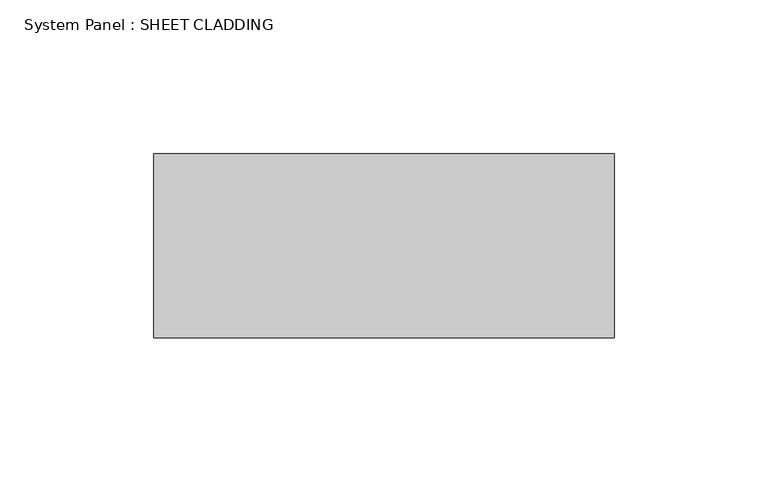
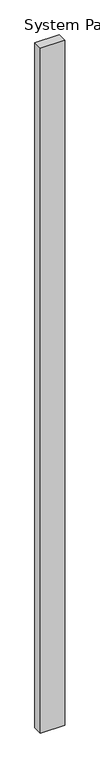
"""IFC4 building model written with IfcOpenShell, lengths in millimetres: plate geometry, System Panel : SHEET CLADDING."""

from ifc_helpers import new_model, si_unit, origin, origin_with_axes, place, context, project, spatial, polyline, outline, extrude, source, transform, mapped, element, save


def system_panel_sheet_cladding_cd8eae05(model_context):
    return source(origin(), model_context, "Body", "SweptSolid", [
        extrude(outline(polyline([(74.9999998, -10.5), (-74.9999998, -10.5), (-74.9999998, 49.5), (74.9999998, 49.5), (74.9999998, -10.5)])), origin_with_axes(), (0.0, 0.0, 1.0), 4500.0),
    ])


if __name__ == "__main__":
    model = new_model("IFC4")
    model_context = context("Model", 3, world=origin())
    ifc_project = project(units=[si_unit("LENGTHUNIT", "METRE", prefix="MILLI")], contexts=[model_context])
    site = spatial("IfcSite", under=ifc_project)
    building = spatial("IfcBuilding", under=site)
    placement = place(None, origin())
    system_panel_sheet_cladding_shape = system_panel_sheet_cladding_cd8eae05(model_context)
    element("IfcPlate", 1, ObjectType="System Panel : SHEET CLADDING", at=placement, inside=building, context=model_context, shape_type="MappedRepresentation", body=[
        mapped(system_panel_sheet_cladding_shape, transform((0.0, 0.0, 0.0), x_axis=(1.0, 0.0, 0.0), y_axis=(0.0, 1.0, 0.0), z_axis=(0.0, 0.0, 1.0))),
    ])
    save(model, "model.ifc")
